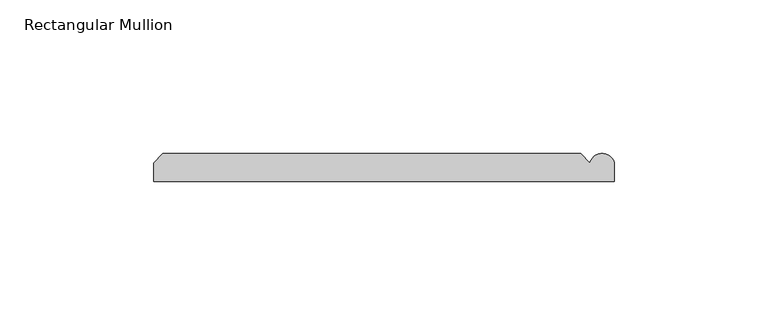
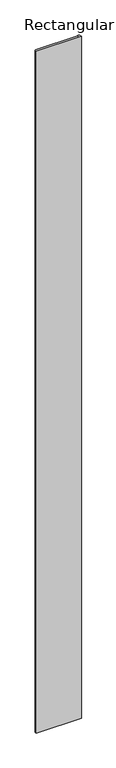
"""IFC4 building model written with IfcOpenShell, lengths in millimetres: member geometry, Rectangular Mullion."""

from ifc_helpers import new_model, si_unit, point, frame, frame_2d, origin, place, context, project, spatial, polyline, circle_curve, trimmed, segment, composite_curve, outline, extrude, source, transform, mapped, element, save


def rectangular_mullion_af38bc1e(model_context):
    return source(origin(), model_context, "Body", "SweptSolid", [
        extrude(outline(composite_curve([segment(polyline([(63.9809918, 9.0), (66.9809918, 6.0)]), True, "CONTINUOUS"), segment(trimmed(circle_curve(frame_2d((70.9809918, 5.0)), 4.1231056), [point((66.9809918, 6.0))], [point((74.9809918, 6.0))], False, "CARTESIAN"), True, "CONTINUOUS"), segment(polyline([(74.9809918, 6.0), (74.9809918, 0.0), (-75.0190082, 0.0), (-75.0190082, 6.00681), (-72.0258182, 9.0), (63.9809918, 9.0)]), True, "CONTINUOUS")], self_intersect=False)), frame((0.0, 0.0, -2400.0), z_axis=(0.0, 0.0, 1.0), x_axis=(1.0, 0.0, 0.0)), (0.0, 0.0, 1.0), 2400.0),
    ])


if __name__ == "__main__":
    model = new_model("IFC4")
    model_context = context("Model", 3, world=origin())
    ifc_project = project(units=[si_unit("LENGTHUNIT", "METRE", prefix="MILLI")], contexts=[model_context])
    site = spatial("IfcSite", under=ifc_project)
    building = spatial("IfcBuilding", under=site)
    placement = place(None, origin())
    rectangular_mullion_shape = rectangular_mullion_af38bc1e(model_context)
    element("IfcMember", 1, ObjectType="Rectangular Mullion", at=placement, inside=building, context=model_context, shape_type="MappedRepresentation", body=[
        mapped(rectangular_mullion_shape, transform((0.0, 0.0, 0.0), x_axis=(1.0, 0.0, 0.0), y_axis=(0.0, 1.0, 0.0), z_axis=(0.0, 0.0, 1.0))),
    ])
    save(model, "model.ifc")
